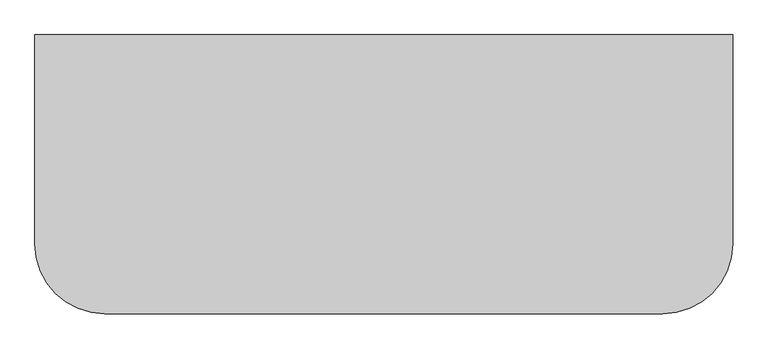
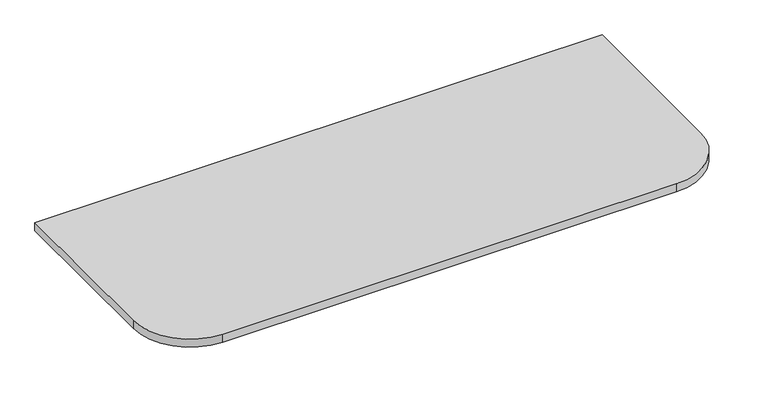
"""IFC4 building model written with IfcOpenShell, lengths in millimetres: furniture geometry."""

import ifcopenshell
import ifcopenshell.guid

model = None  # the IFC model being written
_history = None  # IfcOwnerHistory: only IFC2X3 demands one
_inside = {}  # id of a spatial element -> (the spatial element, [elements in it])
_under = {}  # id of a project, library or spatial element -> (it, [spatial elements below it])
_declared = {}  # id of a project -> (the project, [libraries it declares])
_typed = {}  # id of a type object -> (the type object, [elements of that type])
_made_of = {}  # id of a material, layer set ... -> (it, [elements and type objects made of it])


def new_model(schema):
    """Start an empty IFC model of exactly this schema.

    Asked for "IFC4X3", IfcOpenShell would pick the latest addendum, in which some entities
    have other attributes; the version numbers below select the first issue.
    IFC2X3 requires an IfcOwnerHistory on every rooted entity: one is made here for all.
    """
    global model, _history
    if schema == "IFC4X3":
        model = ifcopenshell.file(schema_version=(4, 3, 0, 0))
    else:
        model = ifcopenshell.file(schema=schema)
    _inside.clear()
    _under.clear()
    _declared.clear()
    _typed.clear()
    _made_of.clear()
    _history = None
    if model.schema == "IFC2X3":
        org = make("IfcOrganization", Name="unknown")
        user = make(
            "IfcPersonAndOrganization",
            ThePerson=make("IfcPerson", FamilyName="unknown"),
            TheOrganization=org,
        )
        app = make(
            "IfcApplication",
            ApplicationDeveloper=org,
            Version="unknown",
            ApplicationFullName="unknown",
            ApplicationIdentifier="unknown",
        )
        _history = make(
            "IfcOwnerHistory",
            OwningUser=user,
            OwningApplication=app,
            ChangeAction="ADDED",
            CreationDate=0,
        )
    return model


def make(cls, **values):
    """One entity of the class cls with the attributes given. An attribute that is None is left unset."""
    return model.create_entity(
        cls, **{name: value for name, value in values.items() if value is not None}
    )


def rooted(cls, **values):
    """An entity with a GlobalId (a new one), such as an element, a storey or a relation."""
    return make(cls, GlobalId=ifcopenshell.guid.new(), OwnerHistory=_history, **values)


def si_unit(unit_type, name, prefix=None):
    """IfcSIUnit, for example si_unit("LENGTHUNIT", "METRE", prefix="MILLI")."""
    return make("IfcSIUnit", UnitType=unit_type, Prefix=prefix, Name=name)


def assignment(units):
    """IfcUnitAssignment: the units of a project."""
    return None if units is None else make("IfcUnitAssignment", Units=units)


def point(xyz):
    """IfcCartesianPoint."""
    return None if xyz is None else make("IfcCartesianPoint", Coordinates=xyz)


def direction(xyz):
    """IfcDirection."""
    return None if xyz is None else make("IfcDirection", DirectionRatios=xyz)


def frame(location, z_axis=None, x_axis=None):
    """IfcAxis2Placement3D, a coordinate frame: its origin and axes. An axis left out is left unset."""
    return make(
        "IfcAxis2Placement3D",
        Location=point(location),
        Axis=direction(z_axis),
        RefDirection=direction(x_axis),
    )


def frame_2d(location, x_axis=None):
    """IfcAxis2Placement2D, a coordinate frame in the plane: its origin and x axis."""
    return make(
        "IfcAxis2Placement2D", Location=point(location), RefDirection=direction(x_axis)
    )


def origin():
    """The frame at (0, 0, 0) with its axes left unset."""
    return frame((0.0, 0.0, 0.0))


def place(relative_to, where):
    """IfcLocalPlacement: puts the frame where relative to a parent placement (None: the world)."""
    return make(
        "IfcLocalPlacement", PlacementRelTo=relative_to, RelativePlacement=where
    )


def context(
    kind, dimensions, precision=None, world=None, true_north=None, identifier=None
):
    """IfcGeometricRepresentationContext, for example the 3D "Model" context."""
    return make(
        "IfcGeometricRepresentationContext",
        ContextIdentifier=identifier,
        ContextType=kind,
        CoordinateSpaceDimension=dimensions,
        Precision=precision,
        WorldCoordinateSystem=world,
        TrueNorth=true_north,
    )


def project(units=None, contexts=None):
    """IfcProject with its units and contexts."""
    return rooted(
        "IfcProject",
        Name="project",
        RepresentationContexts=contexts,
        UnitsInContext=assignment(units),
    )


def spatial(cls, under=None, at=None, **own):
    """A site, building, storey or space (cls), placed at a placement, below another one or the project."""
    s = rooted(cls, ObjectPlacement=at, **own)
    if under is not None:
        _under.setdefault(under.id(), (under, []))[1].append(s)
    return s


def polyline(points):
    """IfcPolyline through the points."""
    return make("IfcPolyline", Points=[point(p) for p in points])


def circle_curve(where, radius):
    """IfcCircle in the frame where."""
    return make("IfcCircle", Position=where, Radius=radius)


def trimmed(basis, trim1, trim2, sense, master):
    """IfcTrimmedCurve: the piece of a basis curve between two trims."""
    return make(
        "IfcTrimmedCurve",
        BasisCurve=basis,
        Trim1=trim1,
        Trim2=trim2,
        SenseAgreement=sense,
        MasterRepresentation=master,
    )


def segment(curve, same_sense, transition):
    """IfcCompositeCurveSegment."""
    return make(
        "IfcCompositeCurveSegment",
        Transition=transition,
        SameSense=same_sense,
        ParentCurve=curve,
    )


def composite_curve(segments, self_intersect=None):
    """IfcCompositeCurve: segments joined end to end."""
    return make("IfcCompositeCurve", Segments=segments, SelfIntersect=self_intersect)


def outline(outer, holes=None, kind="AREA"):
    """IfcArbitraryClosedProfileDef: a profile drawn as a closed curve; with holes, ...WithVoids."""
    if holes is None:
        return make("IfcArbitraryClosedProfileDef", ProfileType=kind, OuterCurve=outer)
    return make(
        "IfcArbitraryProfileDefWithVoids",
        ProfileType=kind,
        OuterCurve=outer,
        InnerCurves=holes,
    )


def extrude(swept, where, along, depth):
    """IfcExtrudedAreaSolid: the profile swept, set in the frame where, extruded along a direction by depth."""
    return make(
        "IfcExtrudedAreaSolid",
        SweptArea=swept,
        Position=where,
        ExtrudedDirection=direction(along),
        Depth=depth,
    )


def shape(context_of_items, identifier, shape_type, items):
    """IfcShapeRepresentation: the items that make up one representation, for example the "Body"."""
    return make(
        "IfcShapeRepresentation",
        ContextOfItems=context_of_items,
        RepresentationIdentifier=identifier,
        RepresentationType=shape_type,
        Items=items,
    )


def source(mapping_origin, context_of_items, identifier, shape_type, items):
    """IfcRepresentationMap: a shape defined once, which mapped items show again and again."""
    return make(
        "IfcRepresentationMap",
        MappingOrigin=mapping_origin,
        MappedRepresentation=shape(context_of_items, identifier, shape_type, items),
    )


def transform(
    local_origin,
    x_axis=None,
    y_axis=None,
    z_axis=None,
    scale=None,
    scale2=None,
    scale3=None,
    uniform=True,
):
    """IfcCartesianTransformationOperator3D, or its non-uniform kind. x_axis, y_axis, z_axis: its Axis1, 2, 3."""
    if uniform:
        return make(
            "IfcCartesianTransformationOperator3D",
            Axis1=direction(x_axis),
            Axis2=direction(y_axis),
            LocalOrigin=point(local_origin),
            Scale=scale,
            Axis3=direction(z_axis),
        )
    return make(
        "IfcCartesianTransformationOperator3DnonUniform",
        Axis1=direction(x_axis),
        Axis2=direction(y_axis),
        LocalOrigin=point(local_origin),
        Scale=scale,
        Axis3=direction(z_axis),
        Scale2=scale2,
        Scale3=scale3,
    )


def mapped(mapping_source, mapping_target):
    """IfcMappedItem: shows the shape of a source again, moved by a transform."""
    return make(
        "IfcMappedItem", MappingSource=mapping_source, MappingTarget=mapping_target
    )


def made_of(thing, what):
    """Note that an element or type object is made of a material, layer set ...; save() writes the relation."""
    if what is not None:
        _made_of.setdefault(what.id(), (what, []))[1].append(thing)
    return thing


def element(
    cls,
    number,
    at=None,
    inside=None,
    cuts=None,
    type_object=None,
    material=None,
    context=None,
    identifier="Body",
    shape_type=None,
    held_by="IfcProductDefinitionShape",
    body=None,
    shapes=None,
    **own,
):
    """One element of the class cls, such as IfcWall. Its Tag is "e" and its number.

    at: its placement. inside: the storey or other place that contains it. cuts: it is an
    opening in that element (IfcRelVoidsElement). A single representation is given by context,
    identifier, shape_type and body (its items); several are given by shapes. held_by: the class
    of the entity that holds the representations. save() writes the other relations.
    """
    e = rooted(cls, Tag="e%d" % number, ObjectPlacement=at, **own)
    if body is not None:
        shapes = [shape(context, identifier, shape_type, body)]
    if shapes is not None:
        e.Representation = make(held_by, Representations=shapes)
    if inside is not None:
        _inside.setdefault(inside.id(), (inside, []))[1].append(e)
    if cuts is not None:
        rooted(
            "IfcRelVoidsElement", RelatingBuildingElement=cuts, RelatedOpeningElement=e
        )
    if type_object is not None:
        _typed.setdefault(type_object.id(), (type_object, []))[1].append(e)
    return made_of(e, material)


def aggregate(whole, parts):
    """IfcRelAggregates: a whole, such as a stair, and the parts it consists of."""
    return rooted("IfcRelAggregates", RelatingObject=whole, RelatedObjects=parts)


def save(model, path):
    """Write the relations noted so far, then the file.

    IfcRelAggregates (storeys below a building ...), IfcRelContainedInSpatialStructure (elements
    in a storey), IfcRelDefinesByType, IfcRelAssociatesMaterial and IfcRelDeclares: one each for
    every whole, place, type object, material and project.
    """
    for whole, parts in _under.values():
        aggregate(whole, parts)
    for where, things in _inside.values():
        rooted(
            "IfcRelContainedInSpatialStructure",
            RelatedElements=things,
            RelatingStructure=where,
        )
    for kind, things in _typed.values():
        rooted("IfcRelDefinesByType", RelatedObjects=things, RelatingType=kind)
    for what, things in _made_of.values():
        rooted("IfcRelAssociatesMaterial", RelatedObjects=things, RelatingMaterial=what)
    for by, libraries in _declared.values():
        rooted("IfcRelDeclares", RelatingContext=by, RelatedDefinitions=libraries)
    model.write(path)


def furniture_c82e071c(model_context):
    return source(origin(), model_context, "Body", "SweptSolid", [
        extrude(outline(composite_curve([segment(polyline([(0.0, 0.0), (2000.0, 0.0), (2000.0, -600.0)]), True, "CONTINUOUS"), segment(trimmed(circle_curve(frame_2d((1800.0, -600.0)), 200.0), [point((2000.0, -600.0))], [point((1800.0, -800.0))], False, "CARTESIAN"), True, "CONTINUOUS"), segment(polyline([(1800.0, -800.0), (200.0, -800.0)]), True, "CONTINUOUS"), segment(trimmed(circle_curve(frame_2d((200.0, -600.0)), 200.0), [point((200.0, -800.0))], [point((0.0, -600.0))], False, "CARTESIAN"), True, "CONTINUOUS"), segment(polyline([(0.0, -600.0), (0.0, 0.0)]), True, "CONTINUOUS")], self_intersect=False)), frame((0.0, 0.0, 720.0), z_axis=(0.0, 0.0, 1.0), x_axis=(1.0, 0.0, 0.0)), (0.0, 0.0, 1.0), 30.0),
    ])


if __name__ == "__main__":
    model = new_model("IFC4")
    model_context = context("Model", 3, world=origin())
    ifc_project = project(units=[si_unit("LENGTHUNIT", "METRE", prefix="MILLI")], contexts=[model_context])
    site = spatial("IfcSite", under=ifc_project)
    building = spatial("IfcBuilding", under=site)
    placement = place(None, origin())
    furniture_shape = furniture_c82e071c(model_context)
    element("IfcFurniture", 1, at=placement, inside=building, context=model_context, shape_type="MappedRepresentation", body=[
        mapped(furniture_shape, transform((0.0, 0.0, 0.0), x_axis=(1.0, 0.0, 0.0), y_axis=(0.0, 1.0, 0.0), z_axis=(0.0, 0.0, 1.0))),
    ])
    save(model, "model.ifc")
